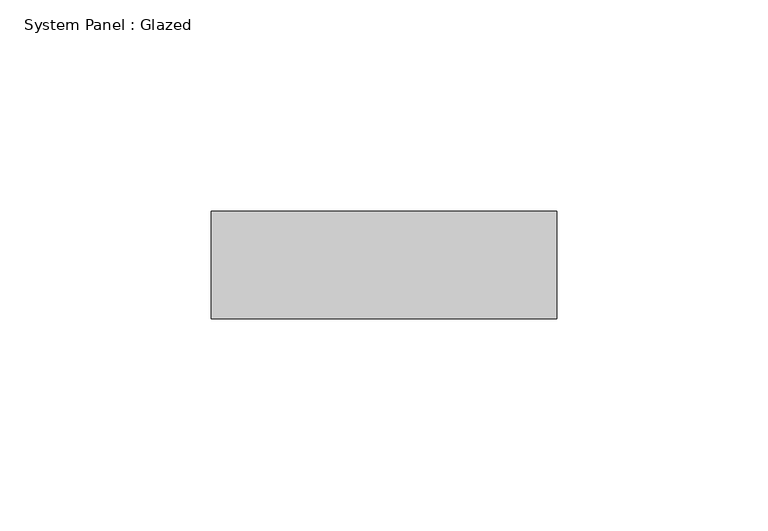
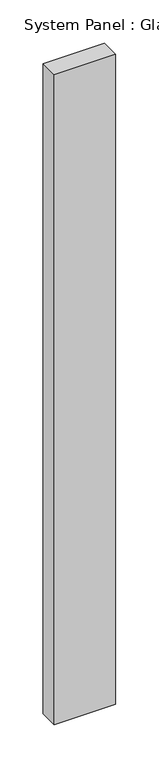
"""IFC4 building model written with IfcOpenShell, lengths in millimetres: plate geometry, System Panel : Glazed."""

from ifc_helpers import new_model, si_unit, origin, origin_with_axes, place, context, project, spatial, polyline, outline, extrude, source, transform, mapped, element, save


def system_panel_glazed_43a2792f(model_context):
    return source(origin(), model_context, "Body", "SweptSolid", [
        extrude(outline(polyline([(40.8354568, 19.05), (-40.8354568, 19.05), (-40.8354568, 44.45), (40.8354568, 44.45), (40.8354568, 19.05)])), origin_with_axes(), (0.0, 0.0, 1.0), 914.4),
    ])


if __name__ == "__main__":
    model = new_model("IFC4")
    model_context = context("Model", 3, world=origin())
    ifc_project = project(units=[si_unit("LENGTHUNIT", "METRE", prefix="MILLI")], contexts=[model_context])
    site = spatial("IfcSite", under=ifc_project)
    building = spatial("IfcBuilding", under=site)
    placement = place(None, origin())
    system_panel_glazed_shape = system_panel_glazed_43a2792f(model_context)
    element("IfcPlate", 1, ObjectType="System Panel : Glazed", at=placement, inside=building, context=model_context, shape_type="MappedRepresentation", body=[
        mapped(system_panel_glazed_shape, transform((0.0, 0.0, 0.0), x_axis=(1.0, 0.0, 0.0), y_axis=(0.0, 1.0, 0.0), z_axis=(0.0, 0.0, 1.0))),
    ])
    save(model, "model.ifc")
